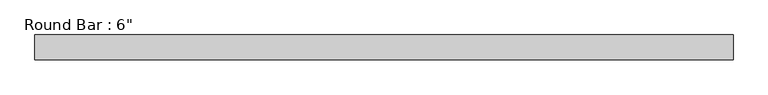
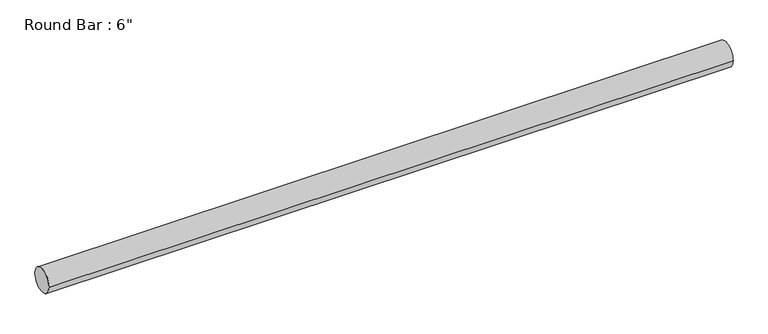
"""IFC4 building model written with IfcOpenShell, lengths in millimetres: beam geometry."""

import ifcopenshell
import ifcopenshell.guid

model = None  # the IFC model being written
_history = None  # IfcOwnerHistory: only IFC2X3 demands one
_inside = {}  # id of a spatial element -> (the spatial element, [elements in it])
_under = {}  # id of a project, library or spatial element -> (it, [spatial elements below it])
_declared = {}  # id of a project -> (the project, [libraries it declares])
_typed = {}  # id of a type object -> (the type object, [elements of that type])
_made_of = {}  # id of a material, layer set ... -> (it, [elements and type objects made of it])


def new_model(schema):
    """Start an empty IFC model of exactly this schema.

    Asked for "IFC4X3", IfcOpenShell would pick the latest addendum, in which some entities
    have other attributes; the version numbers below select the first issue.
    IFC2X3 requires an IfcOwnerHistory on every rooted entity: one is made here for all.
    """
    global model, _history
    if schema == "IFC4X3":
        model = ifcopenshell.file(schema_version=(4, 3, 0, 0))
    else:
        model = ifcopenshell.file(schema=schema)
    _inside.clear()
    _under.clear()
    _declared.clear()
    _typed.clear()
    _made_of.clear()
    _history = None
    if model.schema == "IFC2X3":
        org = make("IfcOrganization", Name="unknown")
        user = make(
            "IfcPersonAndOrganization",
            ThePerson=make("IfcPerson", FamilyName="unknown"),
            TheOrganization=org,
        )
        app = make(
            "IfcApplication",
            ApplicationDeveloper=org,
            Version="unknown",
            ApplicationFullName="unknown",
            ApplicationIdentifier="unknown",
        )
        _history = make(
            "IfcOwnerHistory",
            OwningUser=user,
            OwningApplication=app,
            ChangeAction="ADDED",
            CreationDate=0,
        )
    return model


def make(cls, **values):
    """One entity of the class cls with the attributes given. An attribute that is None is left unset."""
    return model.create_entity(
        cls, **{name: value for name, value in values.items() if value is not None}
    )


def rooted(cls, **values):
    """An entity with a GlobalId (a new one), such as an element, a storey or a relation."""
    return make(cls, GlobalId=ifcopenshell.guid.new(), OwnerHistory=_history, **values)


def si_unit(unit_type, name, prefix=None):
    """IfcSIUnit, for example si_unit("LENGTHUNIT", "METRE", prefix="MILLI")."""
    return make("IfcSIUnit", UnitType=unit_type, Prefix=prefix, Name=name)


def assignment(units):
    """IfcUnitAssignment: the units of a project."""
    return None if units is None else make("IfcUnitAssignment", Units=units)


def point(xyz):
    """IfcCartesianPoint."""
    return None if xyz is None else make("IfcCartesianPoint", Coordinates=xyz)


def direction(xyz):
    """IfcDirection."""
    return None if xyz is None else make("IfcDirection", DirectionRatios=xyz)


def frame(location, z_axis=None, x_axis=None):
    """IfcAxis2Placement3D, a coordinate frame: its origin and axes. An axis left out is left unset."""
    return make(
        "IfcAxis2Placement3D",
        Location=point(location),
        Axis=direction(z_axis),
        RefDirection=direction(x_axis),
    )


def frame_2d(location, x_axis=None):
    """IfcAxis2Placement2D, a coordinate frame in the plane: its origin and x axis."""
    return make(
        "IfcAxis2Placement2D", Location=point(location), RefDirection=direction(x_axis)
    )


def origin():
    """The frame at (0, 0, 0) with its axes left unset."""
    return frame((0.0, 0.0, 0.0))


def origin_2d():
    """The frame at (0, 0) in the plane with its x axis left unset."""
    return frame_2d((0.0, 0.0))


def place(relative_to, where):
    """IfcLocalPlacement: puts the frame where relative to a parent placement (None: the world)."""
    return make(
        "IfcLocalPlacement", PlacementRelTo=relative_to, RelativePlacement=where
    )


def context(
    kind, dimensions, precision=None, world=None, true_north=None, identifier=None
):
    """IfcGeometricRepresentationContext, for example the 3D "Model" context."""
    return make(
        "IfcGeometricRepresentationContext",
        ContextIdentifier=identifier,
        ContextType=kind,
        CoordinateSpaceDimension=dimensions,
        Precision=precision,
        WorldCoordinateSystem=world,
        TrueNorth=true_north,
    )


def project(units=None, contexts=None):
    """IfcProject with its units and contexts."""
    return rooted(
        "IfcProject",
        Name="project",
        RepresentationContexts=contexts,
        UnitsInContext=assignment(units),
    )


def spatial(cls, under=None, at=None, **own):
    """A site, building, storey or space (cls), placed at a placement, below another one or the project."""
    s = rooted(cls, ObjectPlacement=at, **own)
    if under is not None:
        _under.setdefault(under.id(), (under, []))[1].append(s)
    return s


def circle_curve(where, radius):
    """IfcCircle in the frame where."""
    return make("IfcCircle", Position=where, Radius=radius)


def trimmed(basis, trim1, trim2, sense, master):
    """IfcTrimmedCurve: the piece of a basis curve between two trims."""
    return make(
        "IfcTrimmedCurve",
        BasisCurve=basis,
        Trim1=trim1,
        Trim2=trim2,
        SenseAgreement=sense,
        MasterRepresentation=master,
    )


def segment(curve, same_sense, transition):
    """IfcCompositeCurveSegment."""
    return make(
        "IfcCompositeCurveSegment",
        Transition=transition,
        SameSense=same_sense,
        ParentCurve=curve,
    )


def composite_curve(segments, self_intersect=None):
    """IfcCompositeCurve: segments joined end to end."""
    return make("IfcCompositeCurve", Segments=segments, SelfIntersect=self_intersect)


def outline(outer, holes=None, kind="AREA"):
    """IfcArbitraryClosedProfileDef: a profile drawn as a closed curve; with holes, ...WithVoids."""
    if holes is None:
        return make("IfcArbitraryClosedProfileDef", ProfileType=kind, OuterCurve=outer)
    return make(
        "IfcArbitraryProfileDefWithVoids",
        ProfileType=kind,
        OuterCurve=outer,
        InnerCurves=holes,
    )


def extrude(swept, where, along, depth):
    """IfcExtrudedAreaSolid: the profile swept, set in the frame where, extruded along a direction by depth."""
    return make(
        "IfcExtrudedAreaSolid",
        SweptArea=swept,
        Position=where,
        ExtrudedDirection=direction(along),
        Depth=depth,
    )


def shape(context_of_items, identifier, shape_type, items):
    """IfcShapeRepresentation: the items that make up one representation, for example the "Body"."""
    return make(
        "IfcShapeRepresentation",
        ContextOfItems=context_of_items,
        RepresentationIdentifier=identifier,
        RepresentationType=shape_type,
        Items=items,
    )


def source(mapping_origin, context_of_items, identifier, shape_type, items):
    """IfcRepresentationMap: a shape defined once, which mapped items show again and again."""
    return make(
        "IfcRepresentationMap",
        MappingOrigin=mapping_origin,
        MappedRepresentation=shape(context_of_items, identifier, shape_type, items),
    )


def transform(
    local_origin,
    x_axis=None,
    y_axis=None,
    z_axis=None,
    scale=None,
    scale2=None,
    scale3=None,
    uniform=True,
):
    """IfcCartesianTransformationOperator3D, or its non-uniform kind. x_axis, y_axis, z_axis: its Axis1, 2, 3."""
    if uniform:
        return make(
            "IfcCartesianTransformationOperator3D",
            Axis1=direction(x_axis),
            Axis2=direction(y_axis),
            LocalOrigin=point(local_origin),
            Scale=scale,
            Axis3=direction(z_axis),
        )
    return make(
        "IfcCartesianTransformationOperator3DnonUniform",
        Axis1=direction(x_axis),
        Axis2=direction(y_axis),
        LocalOrigin=point(local_origin),
        Scale=scale,
        Axis3=direction(z_axis),
        Scale2=scale2,
        Scale3=scale3,
    )


def mapped(mapping_source, mapping_target):
    """IfcMappedItem: shows the shape of a source again, moved by a transform."""
    return make(
        "IfcMappedItem", MappingSource=mapping_source, MappingTarget=mapping_target
    )


def made_of(thing, what):
    """Note that an element or type object is made of a material, layer set ...; save() writes the relation."""
    if what is not None:
        _made_of.setdefault(what.id(), (what, []))[1].append(thing)
    return thing


def element(
    cls,
    number,
    at=None,
    inside=None,
    cuts=None,
    type_object=None,
    material=None,
    context=None,
    identifier="Body",
    shape_type=None,
    held_by="IfcProductDefinitionShape",
    body=None,
    shapes=None,
    **own,
):
    """One element of the class cls, such as IfcWall. Its Tag is "e" and its number.

    at: its placement. inside: the storey or other place that contains it. cuts: it is an
    opening in that element (IfcRelVoidsElement). A single representation is given by context,
    identifier, shape_type and body (its items); several are given by shapes. held_by: the class
    of the entity that holds the representations. save() writes the other relations.
    """
    e = rooted(cls, Tag="e%d" % number, ObjectPlacement=at, **own)
    if body is not None:
        shapes = [shape(context, identifier, shape_type, body)]
    if shapes is not None:
        e.Representation = make(held_by, Representations=shapes)
    if inside is not None:
        _inside.setdefault(inside.id(), (inside, []))[1].append(e)
    if cuts is not None:
        rooted(
            "IfcRelVoidsElement", RelatingBuildingElement=cuts, RelatedOpeningElement=e
        )
    if type_object is not None:
        _typed.setdefault(type_object.id(), (type_object, []))[1].append(e)
    return made_of(e, material)


def aggregate(whole, parts):
    """IfcRelAggregates: a whole, such as a stair, and the parts it consists of."""
    return rooted("IfcRelAggregates", RelatingObject=whole, RelatedObjects=parts)


def save(model, path):
    """Write the relations noted so far, then the file.

    IfcRelAggregates (storeys below a building ...), IfcRelContainedInSpatialStructure (elements
    in a storey), IfcRelDefinesByType, IfcRelAssociatesMaterial and IfcRelDeclares: one each for
    every whole, place, type object, material and project.
    """
    for whole, parts in _under.values():
        aggregate(whole, parts)
    for where, things in _inside.values():
        rooted(
            "IfcRelContainedInSpatialStructure",
            RelatedElements=things,
            RelatingStructure=where,
        )
    for kind, things in _typed.values():
        rooted("IfcRelDefinesByType", RelatedObjects=things, RelatingType=kind)
    for what, things in _made_of.values():
        rooted("IfcRelAssociatesMaterial", RelatedObjects=things, RelatingMaterial=what)
    for by, libraries in _declared.values():
        rooted("IfcRelDeclares", RelatingContext=by, RelatedDefinitions=libraries)
    model.write(path)


def beam_3cda4e65(model_context):
    return source(origin(), model_context, "Body", "SweptSolid", [
        extrude(outline(composite_curve([segment(trimmed(circle_curve(origin_2d(), 76.2), [point((-76.2, 0.0))], [point((76.2, 0.0))], False, "CARTESIAN"), True, "CONTINUOUS"), segment(trimmed(circle_curve(origin_2d(), 76.2), [point((76.2, 0.0))], [point((-76.2, 0.0))], False, "CARTESIAN"), True, "CONTINUOUS")], self_intersect=False)), frame((-2182.3194712, 0.0, 0.0), z_axis=(1.0, 0.0, 0.0), x_axis=(0.0, 1.0, 0.0)), (0.0, 0.0, 1.0), 4263.0389425),
    ])


if __name__ == "__main__":
    model = new_model("IFC4")
    model_context = context("Model", 3, world=origin())
    ifc_project = project(units=[si_unit("LENGTHUNIT", "METRE", prefix="MILLI")], contexts=[model_context])
    site = spatial("IfcSite", under=ifc_project)
    building = spatial("IfcBuilding", under=site)
    placement = place(None, origin())
    beam_shape = beam_3cda4e65(model_context)
    element("IfcBeam", 1, ObjectType="Round Bar : 6\"", at=placement, inside=building, context=model_context, shape_type="MappedRepresentation", body=[
        mapped(beam_shape, transform((0.0, 0.0, 0.0), x_axis=(1.0, 0.0, 0.0), y_axis=(0.0, 1.0, 0.0), z_axis=(0.0, 0.0, 1.0))),
    ])
    save(model, "model.ifc")
